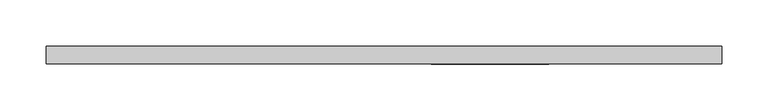
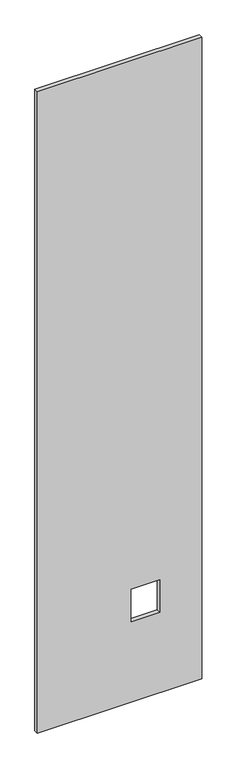
"""IFC4 building model written with IfcOpenShell, lengths in millimetres: proxy geometry."""

from ifc_helpers import new_model, si_unit, frame, origin, place, context, project, spatial, polyline, outline, extrude, source, transform, mapped, element, save


def specialty_equipment_9ce099b0(model_context):
    return source(origin(), model_context, "Body", "SweptSolid", [
        extrude(outline(polyline([(3016.25, 365.2809092), (3016.25, -365.2809092), (3.175, -365.2809092), (3.175, 365.2809092), (3016.25, 365.2809092)]), holes=[polyline([(533.4, 178.3588), (381.0, 178.3588), (381.0, 51.3588), (533.4, 51.3588), (533.4, 178.3588)])]), frame((0.0, -9.525, 0.0), z_axis=(0.0, 1.0, 0.0), x_axis=(0.0, 0.0, 1.0)), (0.0, 0.0, 1.0), 19.05),
    ])


if __name__ == "__main__":
    model = new_model("IFC4")
    model_context = context("Model", 3, world=origin())
    ifc_project = project(units=[si_unit("LENGTHUNIT", "METRE", prefix="MILLI")], contexts=[model_context])
    site = spatial("IfcSite", under=ifc_project)
    building = spatial("IfcBuilding", under=site)
    placement = place(None, origin())
    specialty_equipment_shape = specialty_equipment_9ce099b0(model_context)
    element("IfcBuildingElementProxy", 1, Name="Specialty Equipment", at=placement, inside=building, context=model_context, shape_type="MappedRepresentation", body=[
        mapped(specialty_equipment_shape, transform((0.0, 0.0, 0.0), x_axis=(1.0, 0.0, 0.0), y_axis=(0.0, 1.0, 0.0), z_axis=(0.0, 0.0, 1.0))),
    ])
    save(model, "model.ifc")
